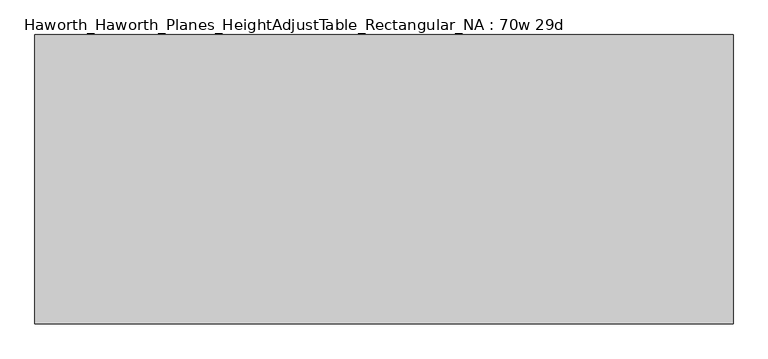
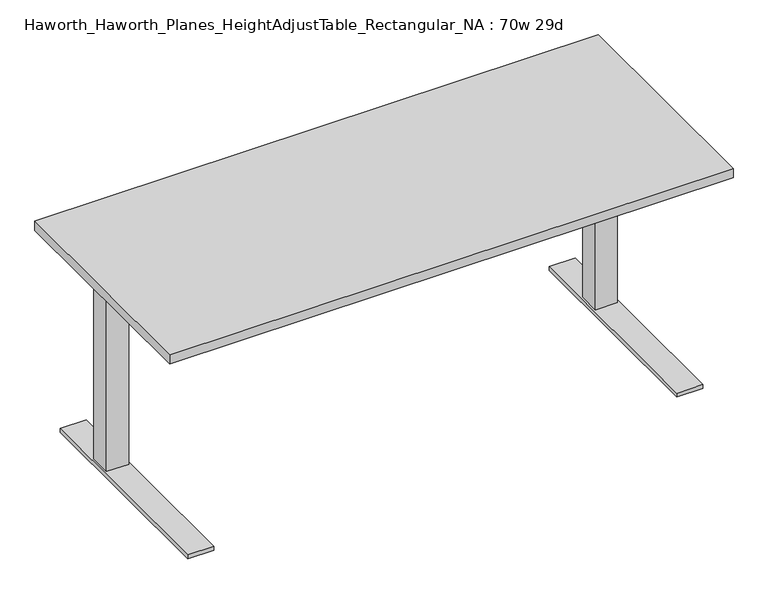
"""IFC4 building model written with IfcOpenShell, lengths in millimetres: furniture geometry, Haworth_Haworth_Planes_HeightAdjustTable_Rectangular_NA : 70w 29d."""

from ifc_helpers import new_model, si_unit, point, frame, frame_2d, origin, origin_with_axes, place, context, project, spatial, polyline, circle_curve, trimmed, segment, composite_curve, outline, extrude, faceted_brep, source, transform, mapped, element, save


def haworth_haworth_planes_heightadjusttable_rectangular_na_70w_74fc41f8(model_context):
    return source(origin(), model_context, "Body", "SolidModel", [
        extrude(outline(polyline([(889.0, 368.3), (889.0, -368.3), (-889.0, -368.3), (-889.0, 368.3), (889.0, 368.3)])), frame((0.0, 0.0, 706.4375), z_axis=(0.0, 0.0, 1.0), x_axis=(1.0, 0.0, 0.0)), (0.0, 0.0, 1.0), 30.1625),
        extrude(outline(composite_curve([segment(trimmed(circle_curve(frame_2d((771.525, 293.6875)), 28.5342152), [point((800.0592152, 293.6875))], [point((742.9907848, 293.6875))], False, "CARTESIAN"), True, "CONTINUOUS"), segment(trimmed(circle_curve(frame_2d((771.525, 293.6875)), 28.5342152), [point((742.9907848, 293.6875))], [point((800.0592152, 293.6875))], False, "CARTESIAN"), True, "CONTINUOUS")], self_intersect=False)), origin_with_axes(), (0.0, 0.0, 1.0), 9.525),
        extrude(outline(composite_curve([segment(trimmed(circle_curve(frame_2d((771.525, -228.6)), 28.6553383), [point((800.1803383, -228.6))], [point((742.8696617, -228.6))], False, "CARTESIAN"), True, "CONTINUOUS"), segment(trimmed(circle_curve(frame_2d((771.525, -228.6)), 28.6553383), [point((742.8696617, -228.6))], [point((800.1803383, -228.6))], False, "CARTESIAN"), True, "CONTINUOUS")], self_intersect=False)), origin_with_axes(), (0.0, 0.0, 1.0), 9.525),
        extrude(outline(polyline([(741.3625, 185.7375), (801.6875, 185.7375), (801.6875, 125.4125), (741.3625, 125.4125), (741.3625, 185.7375)])), frame((0.0, 0.0, 598.4875), z_axis=(0.0, 0.0, 1.0), x_axis=(1.0, 0.0, 0.0)), (0.0, 0.0, 1.0), 107.95),
        faceted_brep([(730.25, 361.95, 9.525), (730.25, -334.9625, 9.525), (730.25, -334.9625, 22.225), (730.25, 361.95, 22.225), (812.8, 361.95, 9.525), (812.8, 361.95, 22.225), (812.8, -334.9625, 22.225), (812.8, -334.9625, 9.525), (736.6, 190.5, 598.4875), (736.6, 120.65, 598.4875), (806.45, 120.65, 598.4875), (806.45, 190.5, 598.4875), (806.45, 190.5, 22.225), (736.6, 190.5, 22.225), (806.45, 120.65, 22.225), (736.6, 120.65, 22.225)], [[[0, 1, 2, 3]], [[4, 5, 6, 7]], [[0, 4, 7, 1]], [[8, 9, 10, 11]], [[11, 12, 13, 8]], [[10, 14, 12, 11]], [[9, 15, 14, 10]], [[8, 13, 15, 9]], [[3, 5, 4, 0]], [[2, 6, 5, 3], [12, 14, 15, 13]], [[1, 7, 6, 2]]]),
        extrude(outline(polyline([(317.5, 706.4375), (317.5, 697.1238172), (175.5257579, 639.7625), (60.8782415, 639.7625), (-241.3, 698.5), (-241.3, 706.4375), (317.5, 706.4375)])), frame((806.45, 0.0, 0.0), z_axis=(1.0, 0.0, 0.0), x_axis=(0.0, 1.0, 0.0)), (0.0, 0.0, 1.0), 3.175),
        extrude(outline(composite_curve([segment(trimmed(circle_curve(frame_2d((-771.525, 293.6875)), 28.5342152), [point((-800.0592152, 293.6875))], [point((-742.9907848, 293.6875))], False, "CARTESIAN"), True, "CONTINUOUS"), segment(trimmed(circle_curve(frame_2d((-771.525, 293.6875)), 28.5342152), [point((-742.9907848, 293.6875))], [point((-800.0592152, 293.6875))], False, "CARTESIAN"), True, "CONTINUOUS")], self_intersect=False)), origin_with_axes(), (0.0, 0.0, 1.0), 9.525),
        extrude(outline(composite_curve([segment(trimmed(circle_curve(frame_2d((-771.525, -228.6)), 28.6553383), [point((-800.1803383, -228.6))], [point((-742.8696617, -228.6))], False, "CARTESIAN"), True, "CONTINUOUS"), segment(trimmed(circle_curve(frame_2d((-771.525, -228.6)), 28.6553383), [point((-742.8696617, -228.6))], [point((-800.1803383, -228.6))], False, "CARTESIAN"), True, "CONTINUOUS")], self_intersect=False)), origin_with_axes(), (0.0, 0.0, 1.0), 9.525),
        extrude(outline(polyline([(-741.3625, 185.7375), (-741.3625, 125.4125), (-801.6875, 125.4125), (-801.6875, 185.7375), (-741.3625, 185.7375)])), frame((0.0, 0.0, 598.4875), z_axis=(0.0, 0.0, 1.0), x_axis=(1.0, 0.0, 0.0)), (0.0, 0.0, 1.0), 107.95),
        faceted_brep([(-730.25, 361.95, 9.525), (-730.25, 361.95, 22.225), (-730.25, -334.9625, 22.225), (-730.25, -334.9625, 9.525), (-812.8, 361.95, 9.525), (-812.8, -334.9625, 9.525), (-812.8, -334.9625, 22.225), (-812.8, 361.95, 22.225), (-736.6, 190.5, 598.4875), (-806.45, 190.5, 598.4875), (-806.45, 120.65, 598.4875), (-736.6, 120.65, 598.4875), (-736.6, 190.5, 22.225), (-806.45, 190.5, 22.225), (-806.45, 120.65, 22.225), (-736.6, 120.65, 22.225)], [[[0, 1, 2, 3]], [[4, 5, 6, 7]], [[0, 3, 5, 4]], [[8, 9, 10, 11]], [[9, 8, 12, 13]], [[10, 9, 13, 14]], [[11, 10, 14, 15]], [[8, 11, 15, 12]], [[1, 0, 4, 7]], [[2, 1, 7, 6], [13, 12, 15, 14]], [[3, 2, 6, 5]]]),
        extrude(outline(polyline([(317.5, 706.4375), (317.5, 697.1238172), (175.5257579, 639.7625), (60.8782415, 639.7625), (-241.3, 698.5), (-241.3, 706.4375), (317.5, 706.4375)])), frame((-809.625, 0.0, 0.0), z_axis=(1.0, 0.0, 0.0), x_axis=(0.0, 1.0, 0.0)), (0.0, 0.0, 1.0), 3.175),
        extrude(outline(polyline([(212.725, 692.15), (212.725, 652.4625), (98.425, 652.4625), (98.425, 692.15), (76.2, 692.15), (76.2, 706.4375), (234.95, 706.4375), (234.95, 692.15), (212.725, 692.15)])), frame((-806.45, 0.0, 0.0), z_axis=(1.0, 0.0, 0.0), x_axis=(0.0, 1.0, 0.0)), (0.0, 0.0, 1.0), 1612.9),
    ])


if __name__ == "__main__":
    model = new_model("IFC4")
    model_context = context("Model", 3, world=origin())
    ifc_project = project(units=[si_unit("LENGTHUNIT", "METRE", prefix="MILLI")], contexts=[model_context])
    site = spatial("IfcSite", under=ifc_project)
    building = spatial("IfcBuilding", under=site)
    placement = place(None, origin())
    haworth_haworth_planes_heightadjusttable_rectangular_na_70w_shape = haworth_haworth_planes_heightadjusttable_rectangular_na_70w_74fc41f8(model_context)
    element("IfcFurniture", 1, ObjectType="Haworth_Haworth_Planes_HeightAdjustTable_Rectangular_NA : 70w 29d", at=placement, inside=building, context=model_context, shape_type="MappedRepresentation", body=[
        mapped(haworth_haworth_planes_heightadjusttable_rectangular_na_70w_shape, transform((0.0, 0.0, 0.0), x_axis=(1.0, 0.0, 0.0), y_axis=(0.0, 1.0, 0.0), z_axis=(0.0, 0.0, 1.0))),
    ])
    save(model, "model.ifc")
